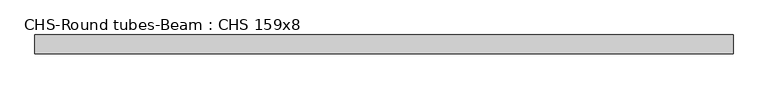
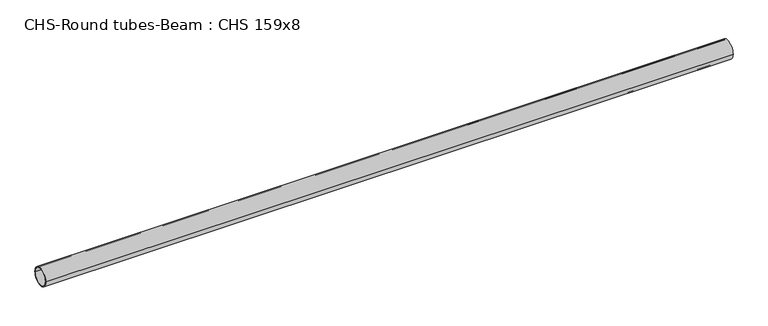
"""IFC4 building model written with IfcOpenShell, lengths in millimetres: beam geometry, CHS-Round tubes-Beam : CHS 159x8."""

from ifc_helpers import new_model, si_unit, point, frame, origin, origin_2d, place, context, project, spatial, circle_curve, trimmed, segment, composite_curve, outline, extrude, source, transform, mapped, element, save


def chs_round_tubes_beam_chs_159x8_317456f3(model_context):
    return source(origin(), model_context, "Body", "SweptSolid", [
        extrude(outline(composite_curve([segment(trimmed(circle_curve(origin_2d(), 79.5), [point((79.5, 0.0))], [point((-79.5, 0.0))], False, "CARTESIAN"), True, "CONTINUOUS"), segment(trimmed(circle_curve(origin_2d(), 79.5), [point((-79.5, 0.0))], [point((79.5, 0.0))], False, "CARTESIAN"), True, "CONTINUOUS")], self_intersect=False), holes=[composite_curve([segment(trimmed(circle_curve(origin_2d(), 71.5), [point((71.5, 0.0))], [point((-71.5, 0.0))], True, "CARTESIAN"), True, "CONTINUOUS"), segment(trimmed(circle_curve(origin_2d(), 71.5), [point((-71.5, 0.0))], [point((71.5, 0.0))], True, "CARTESIAN"), True, "CONTINUOUS")], self_intersect=False)]), frame((-2945.5790729, 0.0, 0.0), z_axis=(1.0, 0.0, 0.0), x_axis=(0.0, 1.0, 0.0)), (0.0, 0.0, 1.0), 5891.1581458),
    ])


if __name__ == "__main__":
    model = new_model("IFC4")
    model_context = context("Model", 3, world=origin())
    ifc_project = project(units=[si_unit("LENGTHUNIT", "METRE", prefix="MILLI")], contexts=[model_context])
    site = spatial("IfcSite", under=ifc_project)
    building = spatial("IfcBuilding", under=site)
    placement = place(None, origin())
    chs_round_tubes_beam_chs_159x8_shape = chs_round_tubes_beam_chs_159x8_317456f3(model_context)
    element("IfcBeam", 1, ObjectType="CHS-Round tubes-Beam : CHS 159x8", at=placement, inside=building, context=model_context, shape_type="MappedRepresentation", body=[
        mapped(chs_round_tubes_beam_chs_159x8_shape, transform((0.0, 0.0, 0.0), x_axis=(1.0, 0.0, 0.0), y_axis=(0.0, 1.0, 0.0), z_axis=(0.0, 0.0, 1.0))),
    ])
    save(model, "model.ifc")
